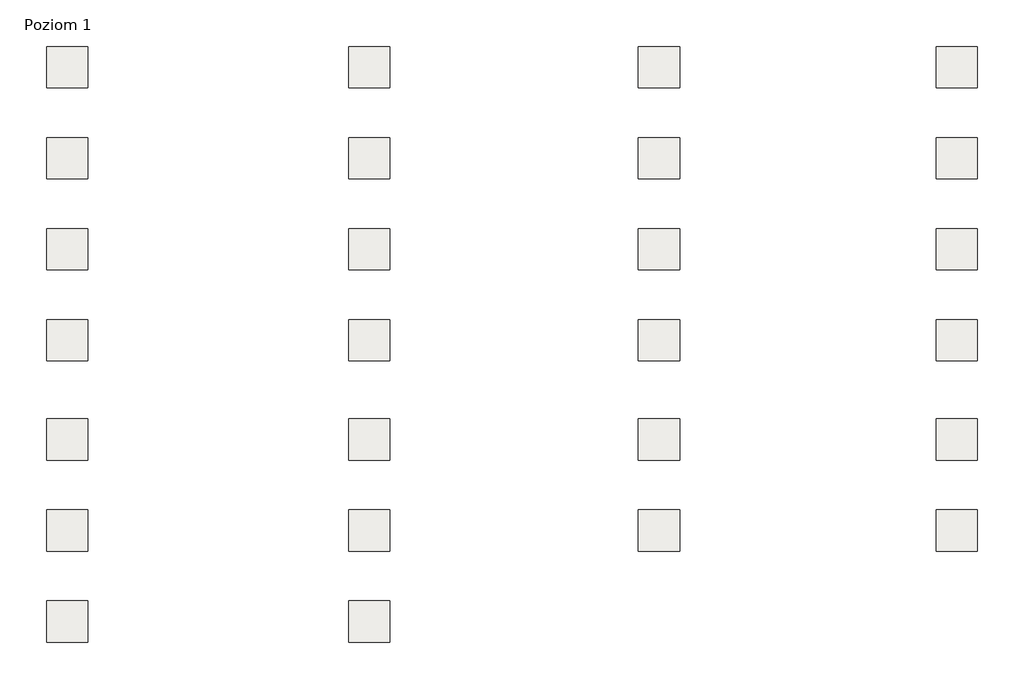
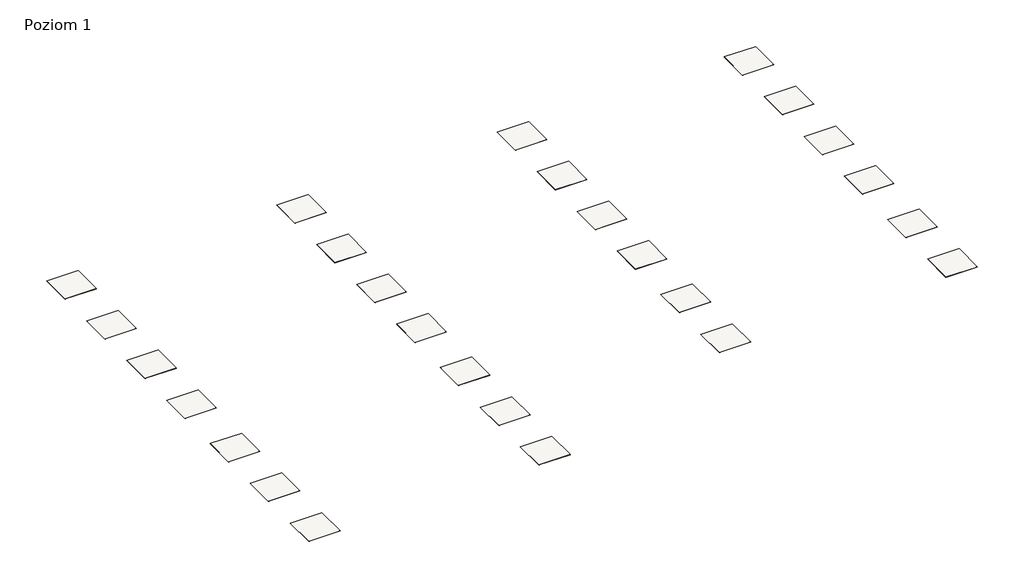
# One storey: 26 slabs.
"""IFC4 building model written with IfcOpenShell, lengths in millimetres."""

from ifc_helpers import new_model, si_unit, frame, origin, place, context, project, spatial, polyline, outline, extrude, element, save

model = new_model("IFC4")

# Units and contexts
model_context = context("Model", 3, world=origin())
ifc_project = project(units=[si_unit("LENGTHUNIT", "METRE", prefix="MILLI")], contexts=[model_context])

# Site, building, storey
site = spatial("IfcSite", under=ifc_project)
building = spatial("IfcBuilding", under=site)
storey = spatial("IfcBuildingStorey", under=building, Name="Poziom 1", Elevation=0.0)

# Slabs
placement = place(None, origin())
element("IfcSlab", 1, at=placement, inside=storey, context=model_context, shape_type="SweptSolid", body=[
    extrude(outline(polyline([(-5863.4990803, 24040.1445193), (-5863.4990803, 23040.1445193), (-6863.4990803, 23040.1445193), (-6863.4990803, 24040.1445193), (-5863.4990803, 24040.1445193)])), frame((0.0, 0.0, -2.5), z_axis=(0.0, 0.0, 1.0), x_axis=(1.0, 0.0, 0.0)), (0.0, 0.0, 1.0), 2.5),
])
element("IfcSlab", 2, at=placement, inside=storey, context=model_context, shape_type="SweptSolid", body=[
    extrude(outline(polyline([(-13163.4990803, 24040.1445193), (-13163.4990803, 23040.1445193), (-14163.4990803, 23040.1445193), (-14163.4990803, 24040.1445193), (-13163.4990803, 24040.1445193)])), frame((0.0, 0.0, -2.5), z_axis=(0.0, 0.0, 1.0), x_axis=(1.0, 0.0, 0.0)), (0.0, 0.0, 1.0), 2.5),
])
element("IfcSlab", 3, at=placement, inside=storey, context=model_context, shape_type="SweptSolid", body=[
    extrude(outline(polyline([(-13163.4990803, 21840.1445193), (-13163.4990803, 20840.1445193), (-14163.4990803, 20840.1445193), (-14163.4990803, 21840.1445193), (-13163.4990803, 21840.1445193)])), frame((0.0, 0.0, -2.5), z_axis=(0.0, 0.0, 1.0), x_axis=(1.0, 0.0, 0.0)), (0.0, 0.0, 1.0), 2.5),
])
element("IfcSlab", 4, at=placement, inside=storey, context=model_context, shape_type="SweptSolid", body=[
    extrude(outline(polyline([(-13163.4990803, 19640.1445193), (-13163.4990803, 18640.1445193), (-14163.4990803, 18640.1445193), (-14163.4990803, 19640.1445193), (-13163.4990803, 19640.1445193)])), frame((0.0, 0.0, -2.5), z_axis=(0.0, 0.0, 1.0), x_axis=(1.0, 0.0, 0.0)), (0.0, 0.0, 1.0), 2.5),
])
element("IfcSlab", 5, at=placement, inside=storey, context=model_context, shape_type="SweptSolid", body=[
    extrude(outline(polyline([(-13163.4990803, 17440.1445193), (-13163.4990803, 16440.1445193), (-14163.4990803, 16440.1445193), (-14163.4990803, 17440.1445193), (-13163.4990803, 17440.1445193)])), frame((0.0, 0.0, -2.5), z_axis=(0.0, 0.0, 1.0), x_axis=(1.0, 0.0, 0.0)), (0.0, 0.0, 1.0), 2.5),
])
element("IfcSlab", 6, at=placement, inside=storey, context=model_context, shape_type="SweptSolid", body=[
    extrude(outline(polyline([(-13163.4990803, 15040.1445193), (-13163.4990803, 14040.1445193), (-14163.4990803, 14040.1445193), (-14163.4990803, 15040.1445193), (-13163.4990803, 15040.1445193)])), frame((0.0, 0.0, -2.5), z_axis=(0.0, 0.0, 1.0), x_axis=(1.0, 0.0, 0.0)), (0.0, 0.0, 1.0), 2.5),
])
element("IfcSlab", 7, at=placement, inside=storey, context=model_context, shape_type="SweptSolid", body=[
    extrude(outline(polyline([(-13163.4990803, 12840.1445193), (-13163.4990803, 11840.1445193), (-14163.4990803, 11840.1445193), (-14163.4990803, 12840.1445193), (-13163.4990803, 12840.1445193)])), frame((0.0, 0.0, -2.5), z_axis=(0.0, 0.0, 1.0), x_axis=(1.0, 0.0, 0.0)), (0.0, 0.0, 1.0), 2.5),
])
element("IfcSlab", 8, at=placement, inside=storey, context=model_context, shape_type="SweptSolid", body=[
    extrude(outline(polyline([(-13163.4990803, 10640.1445193), (-13163.4990803, 9640.1445193), (-14163.4990803, 9640.1445193), (-14163.4990803, 10640.1445193), (-13163.4990803, 10640.1445193)])), frame((0.0, 0.0, -2.5), z_axis=(0.0, 0.0, 1.0), x_axis=(1.0, 0.0, 0.0)), (0.0, 0.0, 1.0), 2.5),
])
element("IfcSlab", 9, at=placement, inside=storey, context=model_context, shape_type="SweptSolid", body=[
    extrude(outline(polyline([(-5863.4990803, 21840.1445193), (-5863.4990803, 20840.1445193), (-6863.4990803, 20840.1445193), (-6863.4990803, 21840.1445193), (-5863.4990803, 21840.1445193)])), frame((0.0, 0.0, -2.5), z_axis=(0.0, 0.0, 1.0), x_axis=(1.0, 0.0, 0.0)), (0.0, 0.0, 1.0), 2.5),
])
element("IfcSlab", 10, at=placement, inside=storey, context=model_context, shape_type="SweptSolid", body=[
    extrude(outline(polyline([(-5863.4990803, 19640.1445193), (-5863.4990803, 18640.1445193), (-6863.4990803, 18640.1445193), (-6863.4990803, 19640.1445193), (-5863.4990803, 19640.1445193)])), frame((0.0, 0.0, -2.5), z_axis=(0.0, 0.0, 1.0), x_axis=(1.0, 0.0, 0.0)), (0.0, 0.0, 1.0), 2.5),
])
element("IfcSlab", 11, at=placement, inside=storey, context=model_context, shape_type="SweptSolid", body=[
    extrude(outline(polyline([(-5863.4990803, 17440.1445193), (-5863.4990803, 16440.1445193), (-6863.4990803, 16440.1445193), (-6863.4990803, 17440.1445193), (-5863.4990803, 17440.1445193)])), frame((0.0, 0.0, -2.5), z_axis=(0.0, 0.0, 1.0), x_axis=(1.0, 0.0, 0.0)), (0.0, 0.0, 1.0), 2.5),
])
element("IfcSlab", 12, at=placement, inside=storey, context=model_context, shape_type="SweptSolid", body=[
    extrude(outline(polyline([(-5863.4990803, 15040.1445193), (-5863.4990803, 14040.1445193), (-6863.4990803, 14040.1445193), (-6863.4990803, 15040.1445193), (-5863.4990803, 15040.1445193)])), frame((0.0, 0.0, -2.5), z_axis=(0.0, 0.0, 1.0), x_axis=(1.0, 0.0, 0.0)), (0.0, 0.0, 1.0), 2.5),
])
element("IfcSlab", 13, at=placement, inside=storey, context=model_context, shape_type="SweptSolid", body=[
    extrude(outline(polyline([(-5863.4990803, 12840.1445193), (-5863.4990803, 11840.1445193), (-6863.4990803, 11840.1445193), (-6863.4990803, 12840.1445193), (-5863.4990803, 12840.1445193)])), frame((0.0, 0.0, -2.5), z_axis=(0.0, 0.0, 1.0), x_axis=(1.0, 0.0, 0.0)), (0.0, 0.0, 1.0), 2.5),
])
element("IfcSlab", 14, at=placement, inside=storey, context=model_context, shape_type="SweptSolid", body=[
    extrude(outline(polyline([(-5863.4990803, 10640.1445193), (-5863.4990803, 9640.1445193), (-6863.4990803, 9640.1445193), (-6863.4990803, 10640.1445193), (-5863.4990803, 10640.1445193)])), frame((0.0, 0.0, -2.5), z_axis=(0.0, 0.0, 1.0), x_axis=(1.0, 0.0, 0.0)), (0.0, 0.0, 1.0), 2.5),
])
element("IfcSlab", 15, at=placement, inside=storey, context=model_context, shape_type="SweptSolid", body=[
    extrude(outline(polyline([(1136.5009197, 24040.1445193), (1136.5009197, 23040.1445193), (136.5009197, 23040.1445193), (136.5009197, 24040.1445193), (1136.5009197, 24040.1445193)])), frame((0.0, 0.0, -2.5), z_axis=(0.0, 0.0, 1.0), x_axis=(1.0, 0.0, 0.0)), (0.0, 0.0, 1.0), 2.5),
])
element("IfcSlab", 16, at=placement, inside=storey, context=model_context, shape_type="SweptSolid", body=[
    extrude(outline(polyline([(1136.5009197, 21840.1445193), (1136.5009197, 20840.1445193), (136.5009197, 20840.1445193), (136.5009197, 21840.1445193), (1136.5009197, 21840.1445193)])), frame((0.0, 0.0, -2.5), z_axis=(0.0, 0.0, 1.0), x_axis=(1.0, 0.0, 0.0)), (0.0, 0.0, 1.0), 2.5),
])
element("IfcSlab", 17, at=placement, inside=storey, context=model_context, shape_type="SweptSolid", body=[
    extrude(outline(polyline([(1136.5009197, 19640.1445193), (1136.5009197, 18640.1445193), (136.5009197, 18640.1445193), (136.5009197, 19640.1445193), (1136.5009197, 19640.1445193)])), frame((0.0, 0.0, -2.5), z_axis=(0.0, 0.0, 1.0), x_axis=(1.0, 0.0, 0.0)), (0.0, 0.0, 1.0), 2.5),
])
element("IfcSlab", 18, at=placement, inside=storey, context=model_context, shape_type="SweptSolid", body=[
    extrude(outline(polyline([(1136.5009197, 17440.1445193), (1136.5009197, 16440.1445193), (136.5009197, 16440.1445193), (136.5009197, 17440.1445193), (1136.5009197, 17440.1445193)])), frame((0.0, 0.0, -2.5), z_axis=(0.0, 0.0, 1.0), x_axis=(1.0, 0.0, 0.0)), (0.0, 0.0, 1.0), 2.5),
])
element("IfcSlab", 19, at=placement, inside=storey, context=model_context, shape_type="SweptSolid", body=[
    extrude(outline(polyline([(1136.5009197, 15040.1445193), (1136.5009197, 14040.1445193), (136.5009197, 14040.1445193), (136.5009197, 15040.1445193), (1136.5009197, 15040.1445193)])), frame((0.0, 0.0, -2.5), z_axis=(0.0, 0.0, 1.0), x_axis=(1.0, 0.0, 0.0)), (0.0, 0.0, 1.0), 2.5),
])
element("IfcSlab", 20, at=placement, inside=storey, context=model_context, shape_type="SweptSolid", body=[
    extrude(outline(polyline([(1136.5009197, 12840.1445193), (1136.5009197, 11840.1445193), (136.5009197, 11840.1445193), (136.5009197, 12840.1445193), (1136.5009197, 12840.1445193)])), frame((0.0, 0.0, -2.5), z_axis=(0.0, 0.0, 1.0), x_axis=(1.0, 0.0, 0.0)), (0.0, 0.0, 1.0), 2.5),
])
element("IfcSlab", 21, at=placement, inside=storey, context=model_context, shape_type="SweptSolid", body=[
    extrude(outline(polyline([(8336.5009197, 24040.1445193), (8336.5009197, 23040.1445193), (7336.5009197, 23040.1445193), (7336.5009197, 24040.1445193), (8336.5009197, 24040.1445193)])), frame((0.0, 0.0, -2.5), z_axis=(0.0, 0.0, 1.0), x_axis=(1.0, 0.0, 0.0)), (0.0, 0.0, 1.0), 2.5),
])
element("IfcSlab", 22, at=placement, inside=storey, context=model_context, shape_type="SweptSolid", body=[
    extrude(outline(polyline([(8336.5009197, 21840.1445193), (8336.5009197, 20840.1445193), (7336.5009197, 20840.1445193), (7336.5009197, 21840.1445193), (8336.5009197, 21840.1445193)])), frame((0.0, 0.0, -2.5), z_axis=(0.0, 0.0, 1.0), x_axis=(1.0, 0.0, 0.0)), (0.0, 0.0, 1.0), 2.5),
])
element("IfcSlab", 23, at=placement, inside=storey, context=model_context, shape_type="SweptSolid", body=[
    extrude(outline(polyline([(8336.5009197, 19640.1445193), (8336.5009197, 18640.1445193), (7336.5009197, 18640.1445193), (7336.5009197, 19640.1445193), (8336.5009197, 19640.1445193)])), frame((0.0, 0.0, -2.5), z_axis=(0.0, 0.0, 1.0), x_axis=(1.0, 0.0, 0.0)), (0.0, 0.0, 1.0), 2.5),
])
element("IfcSlab", 24, at=placement, inside=storey, context=model_context, shape_type="SweptSolid", body=[
    extrude(outline(polyline([(8336.5009197, 17440.1445193), (8336.5009197, 16440.1445193), (7336.5009197, 16440.1445193), (7336.5009197, 17440.1445193), (8336.5009197, 17440.1445193)])), frame((0.0, 0.0, -2.5), z_axis=(0.0, 0.0, 1.0), x_axis=(1.0, 0.0, 0.0)), (0.0, 0.0, 1.0), 2.5),
])
element("IfcSlab", 25, at=placement, inside=storey, context=model_context, shape_type="SweptSolid", body=[
    extrude(outline(polyline([(8336.5009197, 15040.1445193), (8336.5009197, 14040.1445193), (7336.5009197, 14040.1445193), (7336.5009197, 15040.1445193), (8336.5009197, 15040.1445193)])), frame((0.0, 0.0, -2.5), z_axis=(0.0, 0.0, 1.0), x_axis=(1.0, 0.0, 0.0)), (0.0, 0.0, 1.0), 2.5),
])
element("IfcSlab", 26, at=placement, inside=storey, context=model_context, shape_type="SweptSolid", body=[
    extrude(outline(polyline([(8336.5009197, 12840.1445193), (8336.5009197, 11840.1445193), (7336.5009197, 11840.1445193), (7336.5009197, 12840.1445193), (8336.5009197, 12840.1445193)])), frame((0.0, 0.0, -2.5), z_axis=(0.0, 0.0, 1.0), x_axis=(1.0, 0.0, 0.0)), (0.0, 0.0, 1.0), 2.5),
])

save(model, "model.ifc")
